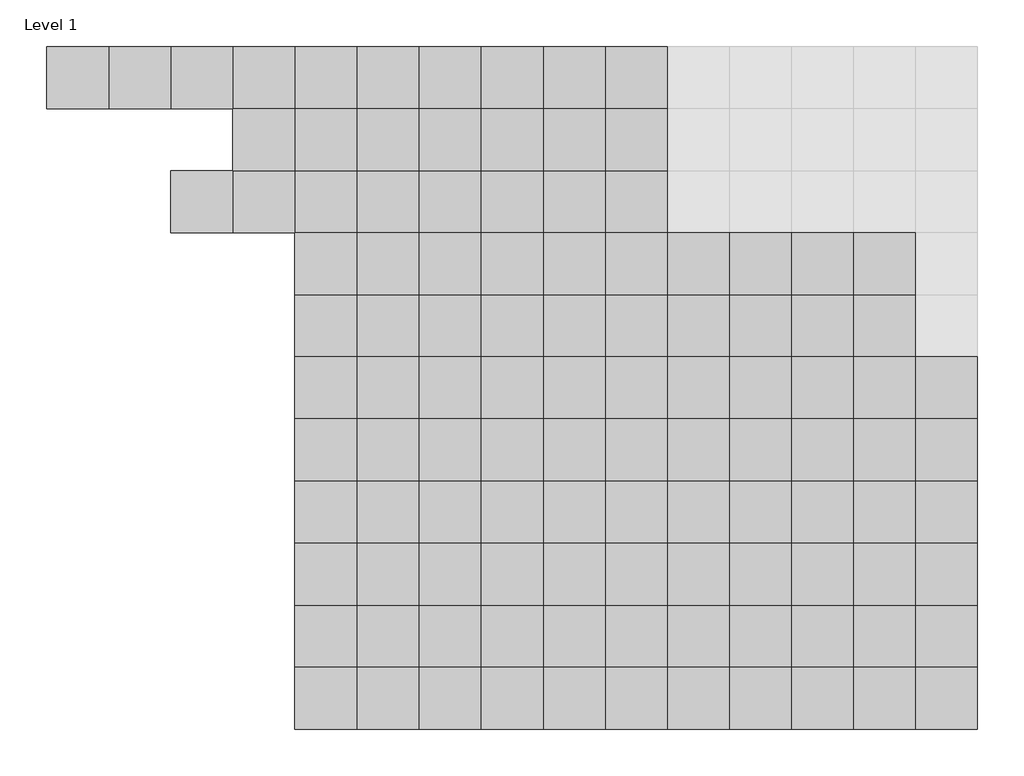
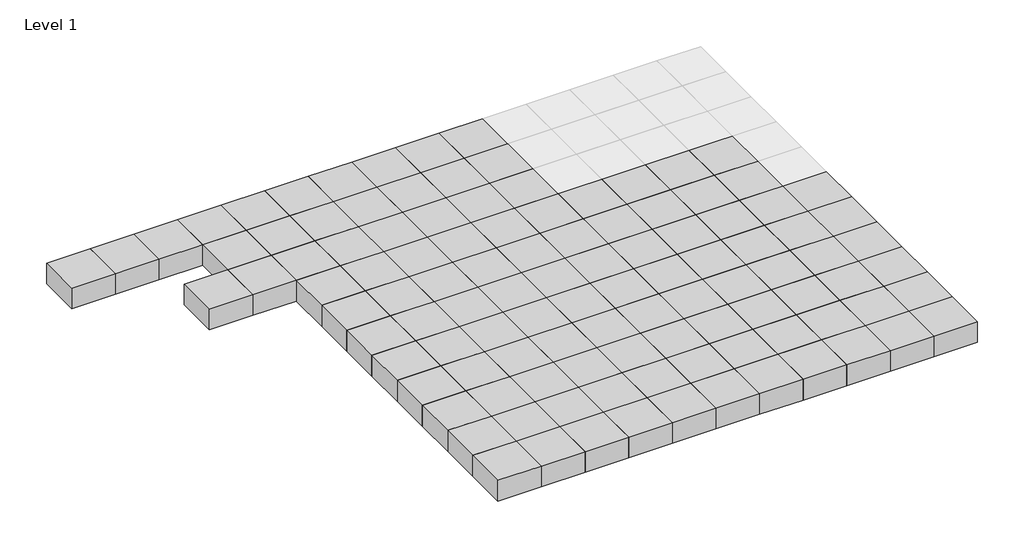
# One storey, part 6 of 30: 111 columns.
"""IFC4 building model written with IfcOpenShell, lengths in millimetres."""

import ifcopenshell
import ifcopenshell.guid

model = None  # the IFC model being written
_history = None  # IfcOwnerHistory: only IFC2X3 demands one
_inside = {}  # id of a spatial element -> (the spatial element, [elements in it])
_under = {}  # id of a project, library or spatial element -> (it, [spatial elements below it])
_declared = {}  # id of a project -> (the project, [libraries it declares])
_typed = {}  # id of a type object -> (the type object, [elements of that type])
_made_of = {}  # id of a material, layer set ... -> (it, [elements and type objects made of it])


def new_model(schema):
    """Start an empty IFC model of exactly this schema.

    Asked for "IFC4X3", IfcOpenShell would pick the latest addendum, in which some entities
    have other attributes; the version numbers below select the first issue.
    IFC2X3 requires an IfcOwnerHistory on every rooted entity: one is made here for all.
    """
    global model, _history
    if schema == "IFC4X3":
        model = ifcopenshell.file(schema_version=(4, 3, 0, 0))
    else:
        model = ifcopenshell.file(schema=schema)
    _inside.clear()
    _under.clear()
    _declared.clear()
    _typed.clear()
    _made_of.clear()
    _history = None
    if model.schema == "IFC2X3":
        org = make("IfcOrganization", Name="unknown")
        user = make(
            "IfcPersonAndOrganization",
            ThePerson=make("IfcPerson", FamilyName="unknown"),
            TheOrganization=org,
        )
        app = make(
            "IfcApplication",
            ApplicationDeveloper=org,
            Version="unknown",
            ApplicationFullName="unknown",
            ApplicationIdentifier="unknown",
        )
        _history = make(
            "IfcOwnerHistory",
            OwningUser=user,
            OwningApplication=app,
            ChangeAction="ADDED",
            CreationDate=0,
        )
    return model


def make(cls, **values):
    """One entity of the class cls with the attributes given. An attribute that is None is left unset."""
    return model.create_entity(
        cls, **{name: value for name, value in values.items() if value is not None}
    )


def rooted(cls, **values):
    """An entity with a GlobalId (a new one), such as an element, a storey or a relation."""
    return make(cls, GlobalId=ifcopenshell.guid.new(), OwnerHistory=_history, **values)


def si_unit(unit_type, name, prefix=None):
    """IfcSIUnit, for example si_unit("LENGTHUNIT", "METRE", prefix="MILLI")."""
    return make("IfcSIUnit", UnitType=unit_type, Prefix=prefix, Name=name)


def assignment(units):
    """IfcUnitAssignment: the units of a project."""
    return None if units is None else make("IfcUnitAssignment", Units=units)


def point(xyz):
    """IfcCartesianPoint."""
    return None if xyz is None else make("IfcCartesianPoint", Coordinates=xyz)


def direction(xyz):
    """IfcDirection."""
    return None if xyz is None else make("IfcDirection", DirectionRatios=xyz)


def frame(location, z_axis=None, x_axis=None):
    """IfcAxis2Placement3D, a coordinate frame: its origin and axes. An axis left out is left unset."""
    return make(
        "IfcAxis2Placement3D",
        Location=point(location),
        Axis=direction(z_axis),
        RefDirection=direction(x_axis),
    )


def origin():
    """The frame at (0, 0, 0) with its axes left unset."""
    return frame((0.0, 0.0, 0.0))


def origin_with_axes():
    """The frame at (0, 0, 0) with the z axis (0, 0, 1) and the x axis (1, 0, 0) written out."""
    return frame((0.0, 0.0, 0.0), z_axis=(0.0, 0.0, 1.0), x_axis=(1.0, 0.0, 0.0))


def place(relative_to, where):
    """IfcLocalPlacement: puts the frame where relative to a parent placement (None: the world)."""
    return make(
        "IfcLocalPlacement", PlacementRelTo=relative_to, RelativePlacement=where
    )


def context(
    kind, dimensions, precision=None, world=None, true_north=None, identifier=None
):
    """IfcGeometricRepresentationContext, for example the 3D "Model" context."""
    return make(
        "IfcGeometricRepresentationContext",
        ContextIdentifier=identifier,
        ContextType=kind,
        CoordinateSpaceDimension=dimensions,
        Precision=precision,
        WorldCoordinateSystem=world,
        TrueNorth=true_north,
    )


def project(units=None, contexts=None):
    """IfcProject with its units and contexts."""
    return rooted(
        "IfcProject",
        Name="project",
        RepresentationContexts=contexts,
        UnitsInContext=assignment(units),
    )


def spatial(cls, under=None, at=None, **own):
    """A site, building, storey or space (cls), placed at a placement, below another one or the project."""
    s = rooted(cls, ObjectPlacement=at, **own)
    if under is not None:
        _under.setdefault(under.id(), (under, []))[1].append(s)
    return s


def polyline(points):
    """IfcPolyline through the points."""
    return make("IfcPolyline", Points=[point(p) for p in points])


def outline(outer, holes=None, kind="AREA"):
    """IfcArbitraryClosedProfileDef: a profile drawn as a closed curve; with holes, ...WithVoids."""
    if holes is None:
        return make("IfcArbitraryClosedProfileDef", ProfileType=kind, OuterCurve=outer)
    return make(
        "IfcArbitraryProfileDefWithVoids",
        ProfileType=kind,
        OuterCurve=outer,
        InnerCurves=holes,
    )


def extrude(swept, where, along, depth):
    """IfcExtrudedAreaSolid: the profile swept, set in the frame where, extruded along a direction by depth."""
    return make(
        "IfcExtrudedAreaSolid",
        SweptArea=swept,
        Position=where,
        ExtrudedDirection=direction(along),
        Depth=depth,
    )


def shape(context_of_items, identifier, shape_type, items):
    """IfcShapeRepresentation: the items that make up one representation, for example the "Body"."""
    return make(
        "IfcShapeRepresentation",
        ContextOfItems=context_of_items,
        RepresentationIdentifier=identifier,
        RepresentationType=shape_type,
        Items=items,
    )


def source(mapping_origin, context_of_items, identifier, shape_type, items):
    """IfcRepresentationMap: a shape defined once, which mapped items show again and again."""
    return make(
        "IfcRepresentationMap",
        MappingOrigin=mapping_origin,
        MappedRepresentation=shape(context_of_items, identifier, shape_type, items),
    )


def transform(
    local_origin,
    x_axis=None,
    y_axis=None,
    z_axis=None,
    scale=None,
    scale2=None,
    scale3=None,
    uniform=True,
):
    """IfcCartesianTransformationOperator3D, or its non-uniform kind. x_axis, y_axis, z_axis: its Axis1, 2, 3."""
    if uniform:
        return make(
            "IfcCartesianTransformationOperator3D",
            Axis1=direction(x_axis),
            Axis2=direction(y_axis),
            LocalOrigin=point(local_origin),
            Scale=scale,
            Axis3=direction(z_axis),
        )
    return make(
        "IfcCartesianTransformationOperator3DnonUniform",
        Axis1=direction(x_axis),
        Axis2=direction(y_axis),
        LocalOrigin=point(local_origin),
        Scale=scale,
        Axis3=direction(z_axis),
        Scale2=scale2,
        Scale3=scale3,
    )


def mapped(mapping_source, mapping_target):
    """IfcMappedItem: shows the shape of a source again, moved by a transform."""
    return make(
        "IfcMappedItem", MappingSource=mapping_source, MappingTarget=mapping_target
    )


def made_of(thing, what):
    """Note that an element or type object is made of a material, layer set ...; save() writes the relation."""
    if what is not None:
        _made_of.setdefault(what.id(), (what, []))[1].append(thing)
    return thing


def element(
    cls,
    number,
    at=None,
    inside=None,
    cuts=None,
    type_object=None,
    material=None,
    context=None,
    identifier="Body",
    shape_type=None,
    held_by="IfcProductDefinitionShape",
    body=None,
    shapes=None,
    **own,
):
    """One element of the class cls, such as IfcWall. Its Tag is "e" and its number.

    at: its placement. inside: the storey or other place that contains it. cuts: it is an
    opening in that element (IfcRelVoidsElement). A single representation is given by context,
    identifier, shape_type and body (its items); several are given by shapes. held_by: the class
    of the entity that holds the representations. save() writes the other relations.
    """
    e = rooted(cls, Tag="e%d" % number, ObjectPlacement=at, **own)
    if body is not None:
        shapes = [shape(context, identifier, shape_type, body)]
    if shapes is not None:
        e.Representation = make(held_by, Representations=shapes)
    if inside is not None:
        _inside.setdefault(inside.id(), (inside, []))[1].append(e)
    if cuts is not None:
        rooted(
            "IfcRelVoidsElement", RelatingBuildingElement=cuts, RelatedOpeningElement=e
        )
    if type_object is not None:
        _typed.setdefault(type_object.id(), (type_object, []))[1].append(e)
    return made_of(e, material)


def aggregate(whole, parts):
    """IfcRelAggregates: a whole, such as a stair, and the parts it consists of."""
    return rooted("IfcRelAggregates", RelatingObject=whole, RelatedObjects=parts)


def save(model, path):
    """Write the relations noted so far, then the file.

    IfcRelAggregates (storeys below a building ...), IfcRelContainedInSpatialStructure (elements
    in a storey), IfcRelDefinesByType, IfcRelAssociatesMaterial and IfcRelDeclares: one each for
    every whole, place, type object, material and project.
    """
    for whole, parts in _under.values():
        aggregate(whole, parts)
    for where, things in _inside.values():
        rooted(
            "IfcRelContainedInSpatialStructure",
            RelatedElements=things,
            RelatingStructure=where,
        )
    for kind, things in _typed.values():
        rooted("IfcRelDefinesByType", RelatedObjects=things, RelatingType=kind)
    for what, things in _made_of.values():
        rooted("IfcRelAssociatesMaterial", RelatedObjects=things, RelatingMaterial=what)
    for by, libraries in _declared.values():
        rooted("IfcRelDeclares", RelatingContext=by, RelatedDefinitions=libraries)
    model.write(path)


def m_concrete_square_column_600_x_600mm_cc081a69(model_context):
    return source(origin(), model_context, "Body", "SweptSolid", [
        extrude(outline(polyline([(300.0, 300.0), (300.0, -300.0), (-300.0, -300.0), (-300.0, 300.0), (300.0, 300.0)])), origin_with_axes(), (0.0, 0.0, 1.0), 300.0),
    ])


model = new_model("IFC4")

# Units and contexts
model_context = context("Model", 3, world=origin())
ifc_project = project(units=[si_unit("LENGTHUNIT", "METRE", prefix="MILLI")], contexts=[model_context])

# Site, building, storey
site = spatial("IfcSite", under=ifc_project)
building = spatial("IfcBuilding", under=site)
storey = spatial("IfcBuildingStorey", under=building, Name="Level 1", Elevation=0.0)

# Columns
placement = place(None, origin())
m_concrete_square_column_600_x_600mm_shape = m_concrete_square_column_600_x_600mm_cc081a69(model_context)
element("IfcColumn", 1, ObjectType="M_Concrete-Square-Column : 600 x 600mm", at=placement, inside=storey, context=model_context, shape_type="MappedRepresentation", body=[
    mapped(m_concrete_square_column_600_x_600mm_shape, transform((102050.9001936, -530.9023417, 0.0), x_axis=(1.0, 0.0, 0.0), y_axis=(0.0, 1.0, 0.0), z_axis=(0.0, 0.0, 1.0))),
])
element("IfcColumn", 2, ObjectType="M_Concrete-Square-Column : 600 x 600mm", at=placement, inside=storey, context=model_context, shape_type="MappedRepresentation", body=[
    mapped(m_concrete_square_column_600_x_600mm_shape, transform((102650.9001936, -530.9023417, 0.0), x_axis=(1.0, 0.0, 0.0), y_axis=(0.0, 1.0, 0.0), z_axis=(0.0, 0.0, 1.0))),
])
element("IfcColumn", 3, ObjectType="M_Concrete-Square-Column : 600 x 600mm", at=placement, inside=storey, context=model_context, shape_type="MappedRepresentation", body=[
    mapped(m_concrete_square_column_600_x_600mm_shape, transform((103250.9001936, -530.9023417, 0.0), x_axis=(1.0, 0.0, 0.0), y_axis=(0.0, 1.0, 0.0), z_axis=(0.0, 0.0, 1.0))),
])
element("IfcColumn", 4, ObjectType="M_Concrete-Square-Column : 600 x 600mm", at=placement, inside=storey, context=model_context, shape_type="MappedRepresentation", body=[
    mapped(m_concrete_square_column_600_x_600mm_shape, transform((103850.9001936, -530.9023417, 0.0), x_axis=(1.0, 0.0, 0.0), y_axis=(0.0, 1.0, 0.0), z_axis=(0.0, 0.0, 1.0))),
])
element("IfcColumn", 5, ObjectType="M_Concrete-Square-Column : 600 x 600mm", at=placement, inside=storey, context=model_context, shape_type="MappedRepresentation", body=[
    mapped(m_concrete_square_column_600_x_600mm_shape, transform((104450.9001936, -530.9023417, 0.0), x_axis=(1.0, 0.0, 0.0), y_axis=(0.0, 1.0, 0.0), z_axis=(0.0, 0.0, 1.0))),
])
element("IfcColumn", 6, ObjectType="M_Concrete-Square-Column : 600 x 600mm", at=placement, inside=storey, context=model_context, shape_type="MappedRepresentation", body=[
    mapped(m_concrete_square_column_600_x_600mm_shape, transform((105050.9001936, -530.9023417, 0.0), x_axis=(1.0, 0.0, 0.0), y_axis=(0.0, 1.0, 0.0), z_axis=(0.0, 0.0, 1.0))),
])
element("IfcColumn", 7, ObjectType="M_Concrete-Square-Column : 600 x 600mm", at=placement, inside=storey, context=model_context, shape_type="MappedRepresentation", body=[
    mapped(m_concrete_square_column_600_x_600mm_shape, transform((105650.9001936, -530.9023417, 0.0), x_axis=(1.0, 0.0, 0.0), y_axis=(0.0, 1.0, 0.0), z_axis=(0.0, 0.0, 1.0))),
])
element("IfcColumn", 8, ObjectType="M_Concrete-Square-Column : 600 x 600mm", at=placement, inside=storey, context=model_context, shape_type="MappedRepresentation", body=[
    mapped(m_concrete_square_column_600_x_600mm_shape, transform((106250.9001936, -530.9023417, 0.0), x_axis=(1.0, 0.0, 0.0), y_axis=(0.0, 1.0, 0.0), z_axis=(0.0, 0.0, 1.0))),
])
element("IfcColumn", 9, ObjectType="M_Concrete-Square-Column : 600 x 600mm", at=placement, inside=storey, context=model_context, shape_type="MappedRepresentation", body=[
    mapped(m_concrete_square_column_600_x_600mm_shape, transform((106850.9001936, -530.9023417, 0.0), x_axis=(1.0, 0.0, 0.0), y_axis=(0.0, 1.0, 0.0), z_axis=(0.0, 0.0, 1.0))),
])
element("IfcColumn", 10, ObjectType="M_Concrete-Square-Column : 600 x 600mm", at=placement, inside=storey, context=model_context, shape_type="MappedRepresentation", body=[
    mapped(m_concrete_square_column_600_x_600mm_shape, transform((107450.9001936, -530.9023417, 0.0), x_axis=(1.0, 0.0, 0.0), y_axis=(0.0, 1.0, 0.0), z_axis=(0.0, 0.0, 1.0))),
])
element("IfcColumn", 11, ObjectType="M_Concrete-Square-Column : 600 x 600mm", at=placement, inside=storey, context=model_context, shape_type="MappedRepresentation", body=[
    mapped(m_concrete_square_column_600_x_600mm_shape, transform((103850.9001936, -1130.9023417, 0.0), x_axis=(1.0, 0.0, 0.0), y_axis=(0.0, 1.0, 0.0), z_axis=(0.0, 0.0, 1.0))),
])
element("IfcColumn", 12, ObjectType="M_Concrete-Square-Column : 600 x 600mm", at=placement, inside=storey, context=model_context, shape_type="MappedRepresentation", body=[
    mapped(m_concrete_square_column_600_x_600mm_shape, transform((104450.9001936, -1130.9023417, 0.0), x_axis=(1.0, 0.0, 0.0), y_axis=(0.0, 1.0, 0.0), z_axis=(0.0, 0.0, 1.0))),
])
element("IfcColumn", 13, ObjectType="M_Concrete-Square-Column : 600 x 600mm", at=placement, inside=storey, context=model_context, shape_type="MappedRepresentation", body=[
    mapped(m_concrete_square_column_600_x_600mm_shape, transform((103250.9001936, -1730.9023417, 0.0), x_axis=(1.0, 0.0, 0.0), y_axis=(0.0, 1.0, 0.0), z_axis=(0.0, 0.0, 1.0))),
])
element("IfcColumn", 14, ObjectType="M_Concrete-Square-Column : 600 x 600mm", at=placement, inside=storey, context=model_context, shape_type="MappedRepresentation", body=[
    mapped(m_concrete_square_column_600_x_600mm_shape, transform((103850.9001936, -1730.9023417, 0.0), x_axis=(1.0, 0.0, 0.0), y_axis=(0.0, 1.0, 0.0), z_axis=(0.0, 0.0, 1.0))),
])
element("IfcColumn", 15, ObjectType="M_Concrete-Square-Column : 600 x 600mm", at=placement, inside=storey, context=model_context, shape_type="MappedRepresentation", body=[
    mapped(m_concrete_square_column_600_x_600mm_shape, transform((104450.9001936, -1730.9023417, 0.0), x_axis=(1.0, 0.0, 0.0), y_axis=(0.0, 1.0, 0.0), z_axis=(0.0, 0.0, 1.0))),
])
element("IfcColumn", 16, ObjectType="M_Concrete-Square-Column : 600 x 600mm", at=placement, inside=storey, context=model_context, shape_type="MappedRepresentation", body=[
    mapped(m_concrete_square_column_600_x_600mm_shape, transform((104450.9001936, -2330.9023417, 0.0), x_axis=(1.0, 0.0, 0.0), y_axis=(0.0, 1.0, 0.0), z_axis=(0.0, 0.0, 1.0))),
])
element("IfcColumn", 17, ObjectType="M_Concrete-Square-Column : 600 x 600mm", at=placement, inside=storey, context=model_context, shape_type="MappedRepresentation", body=[
    mapped(m_concrete_square_column_600_x_600mm_shape, transform((104450.9001936, -2930.9023417, 0.0), x_axis=(1.0, 0.0, 0.0), y_axis=(0.0, 1.0, 0.0), z_axis=(0.0, 0.0, 1.0))),
])
element("IfcColumn", 18, ObjectType="M_Concrete-Square-Column : 600 x 600mm", at=placement, inside=storey, context=model_context, shape_type="MappedRepresentation", body=[
    mapped(m_concrete_square_column_600_x_600mm_shape, transform((104450.9001936, -3530.9023417, 0.0), x_axis=(1.0, 0.0, 0.0), y_axis=(0.0, 1.0, 0.0), z_axis=(0.0, 0.0, 1.0))),
])
element("IfcColumn", 19, ObjectType="M_Concrete-Square-Column : 600 x 600mm", at=placement, inside=storey, context=model_context, shape_type="MappedRepresentation", body=[
    mapped(m_concrete_square_column_600_x_600mm_shape, transform((105050.9001936, -1130.9023417, 0.0), x_axis=(1.0, 0.0, 0.0), y_axis=(0.0, 1.0, 0.0), z_axis=(0.0, 0.0, 1.0))),
])
element("IfcColumn", 20, ObjectType="M_Concrete-Square-Column : 600 x 600mm", at=placement, inside=storey, context=model_context, shape_type="MappedRepresentation", body=[
    mapped(m_concrete_square_column_600_x_600mm_shape, transform((105650.9001936, -1130.9023417, 0.0), x_axis=(1.0, 0.0, 0.0), y_axis=(0.0, 1.0, 0.0), z_axis=(0.0, 0.0, 1.0))),
])
element("IfcColumn", 21, ObjectType="M_Concrete-Square-Column : 600 x 600mm", at=placement, inside=storey, context=model_context, shape_type="MappedRepresentation", body=[
    mapped(m_concrete_square_column_600_x_600mm_shape, transform((106250.9001936, -1130.9023417, 0.0), x_axis=(1.0, 0.0, 0.0), y_axis=(0.0, 1.0, 0.0), z_axis=(0.0, 0.0, 1.0))),
])
element("IfcColumn", 22, ObjectType="M_Concrete-Square-Column : 600 x 600mm", at=placement, inside=storey, context=model_context, shape_type="MappedRepresentation", body=[
    mapped(m_concrete_square_column_600_x_600mm_shape, transform((106850.9001936, -1130.9023417, 0.0), x_axis=(1.0, 0.0, 0.0), y_axis=(0.0, 1.0, 0.0), z_axis=(0.0, 0.0, 1.0))),
])
element("IfcColumn", 23, ObjectType="M_Concrete-Square-Column : 600 x 600mm", at=placement, inside=storey, context=model_context, shape_type="MappedRepresentation", body=[
    mapped(m_concrete_square_column_600_x_600mm_shape, transform((107450.9001936, -1130.9023417, 0.0), x_axis=(1.0, 0.0, 0.0), y_axis=(0.0, 1.0, 0.0), z_axis=(0.0, 0.0, 1.0))),
])
element("IfcColumn", 24, ObjectType="M_Concrete-Square-Column : 600 x 600mm", at=placement, inside=storey, context=model_context, shape_type="MappedRepresentation", body=[
    mapped(m_concrete_square_column_600_x_600mm_shape, transform((105050.9001936, -1730.9023417, 0.0), x_axis=(1.0, 0.0, 0.0), y_axis=(0.0, 1.0, 0.0), z_axis=(0.0, 0.0, 1.0))),
])
element("IfcColumn", 25, ObjectType="M_Concrete-Square-Column : 600 x 600mm", at=placement, inside=storey, context=model_context, shape_type="MappedRepresentation", body=[
    mapped(m_concrete_square_column_600_x_600mm_shape, transform((105650.9001936, -1730.9023417, 0.0), x_axis=(1.0, 0.0, 0.0), y_axis=(0.0, 1.0, 0.0), z_axis=(0.0, 0.0, 1.0))),
])
element("IfcColumn", 26, ObjectType="M_Concrete-Square-Column : 600 x 600mm", at=placement, inside=storey, context=model_context, shape_type="MappedRepresentation", body=[
    mapped(m_concrete_square_column_600_x_600mm_shape, transform((106250.9001936, -1730.9023417, 0.0), x_axis=(1.0, 0.0, 0.0), y_axis=(0.0, 1.0, 0.0), z_axis=(0.0, 0.0, 1.0))),
])
element("IfcColumn", 27, ObjectType="M_Concrete-Square-Column : 600 x 600mm", at=placement, inside=storey, context=model_context, shape_type="MappedRepresentation", body=[
    mapped(m_concrete_square_column_600_x_600mm_shape, transform((106850.9001936, -1730.9023417, 0.0), x_axis=(1.0, 0.0, 0.0), y_axis=(0.0, 1.0, 0.0), z_axis=(0.0, 0.0, 1.0))),
])
element("IfcColumn", 28, ObjectType="M_Concrete-Square-Column : 600 x 600mm", at=placement, inside=storey, context=model_context, shape_type="MappedRepresentation", body=[
    mapped(m_concrete_square_column_600_x_600mm_shape, transform((107450.9001936, -1730.9023417, 0.0), x_axis=(1.0, 0.0, 0.0), y_axis=(0.0, 1.0, 0.0), z_axis=(0.0, 0.0, 1.0))),
])
element("IfcColumn", 29, ObjectType="M_Concrete-Square-Column : 600 x 600mm", at=placement, inside=storey, context=model_context, shape_type="MappedRepresentation", body=[
    mapped(m_concrete_square_column_600_x_600mm_shape, transform((105050.9001936, -2330.9023417, 0.0), x_axis=(1.0, 0.0, 0.0), y_axis=(0.0, 1.0, 0.0), z_axis=(0.0, 0.0, 1.0))),
])
element("IfcColumn", 30, ObjectType="M_Concrete-Square-Column : 600 x 600mm", at=placement, inside=storey, context=model_context, shape_type="MappedRepresentation", body=[
    mapped(m_concrete_square_column_600_x_600mm_shape, transform((105650.9001936, -2330.9023417, 0.0), x_axis=(1.0, 0.0, 0.0), y_axis=(0.0, 1.0, 0.0), z_axis=(0.0, 0.0, 1.0))),
])
element("IfcColumn", 31, ObjectType="M_Concrete-Square-Column : 600 x 600mm", at=placement, inside=storey, context=model_context, shape_type="MappedRepresentation", body=[
    mapped(m_concrete_square_column_600_x_600mm_shape, transform((106250.9001936, -2330.9023417, 0.0), x_axis=(1.0, 0.0, 0.0), y_axis=(0.0, 1.0, 0.0), z_axis=(0.0, 0.0, 1.0))),
])
element("IfcColumn", 32, ObjectType="M_Concrete-Square-Column : 600 x 600mm", at=placement, inside=storey, context=model_context, shape_type="MappedRepresentation", body=[
    mapped(m_concrete_square_column_600_x_600mm_shape, transform((106850.9001936, -2330.9023417, 0.0), x_axis=(1.0, 0.0, 0.0), y_axis=(0.0, 1.0, 0.0), z_axis=(0.0, 0.0, 1.0))),
])
element("IfcColumn", 33, ObjectType="M_Concrete-Square-Column : 600 x 600mm", at=placement, inside=storey, context=model_context, shape_type="MappedRepresentation", body=[
    mapped(m_concrete_square_column_600_x_600mm_shape, transform((107450.9001936, -2330.9023417, 0.0), x_axis=(1.0, 0.0, 0.0), y_axis=(0.0, 1.0, 0.0), z_axis=(0.0, 0.0, 1.0))),
])
element("IfcColumn", 34, ObjectType="M_Concrete-Square-Column : 600 x 600mm", at=placement, inside=storey, context=model_context, shape_type="MappedRepresentation", body=[
    mapped(m_concrete_square_column_600_x_600mm_shape, transform((105050.9001936, -2930.9023417, 0.0), x_axis=(1.0, 0.0, 0.0), y_axis=(0.0, 1.0, 0.0), z_axis=(0.0, 0.0, 1.0))),
])
element("IfcColumn", 35, ObjectType="M_Concrete-Square-Column : 600 x 600mm", at=placement, inside=storey, context=model_context, shape_type="MappedRepresentation", body=[
    mapped(m_concrete_square_column_600_x_600mm_shape, transform((105650.9001936, -2930.9023417, 0.0), x_axis=(1.0, 0.0, 0.0), y_axis=(0.0, 1.0, 0.0), z_axis=(0.0, 0.0, 1.0))),
])
element("IfcColumn", 36, ObjectType="M_Concrete-Square-Column : 600 x 600mm", at=placement, inside=storey, context=model_context, shape_type="MappedRepresentation", body=[
    mapped(m_concrete_square_column_600_x_600mm_shape, transform((106250.9001936, -2930.9023417, 0.0), x_axis=(1.0, 0.0, 0.0), y_axis=(0.0, 1.0, 0.0), z_axis=(0.0, 0.0, 1.0))),
])
element("IfcColumn", 37, ObjectType="M_Concrete-Square-Column : 600 x 600mm", at=placement, inside=storey, context=model_context, shape_type="MappedRepresentation", body=[
    mapped(m_concrete_square_column_600_x_600mm_shape, transform((106850.9001936, -2930.9023417, 0.0), x_axis=(1.0, 0.0, 0.0), y_axis=(0.0, 1.0, 0.0), z_axis=(0.0, 0.0, 1.0))),
])
element("IfcColumn", 38, ObjectType="M_Concrete-Square-Column : 600 x 600mm", at=placement, inside=storey, context=model_context, shape_type="MappedRepresentation", body=[
    mapped(m_concrete_square_column_600_x_600mm_shape, transform((107450.9001936, -2930.9023417, 0.0), x_axis=(1.0, 0.0, 0.0), y_axis=(0.0, 1.0, 0.0), z_axis=(0.0, 0.0, 1.0))),
])
element("IfcColumn", 39, ObjectType="M_Concrete-Square-Column : 600 x 600mm", at=placement, inside=storey, context=model_context, shape_type="MappedRepresentation", body=[
    mapped(m_concrete_square_column_600_x_600mm_shape, transform((105050.9001936, -3530.9023417, 0.0), x_axis=(1.0, 0.0, 0.0), y_axis=(0.0, 1.0, 0.0), z_axis=(0.0, 0.0, 1.0))),
])
element("IfcColumn", 40, ObjectType="M_Concrete-Square-Column : 600 x 600mm", at=placement, inside=storey, context=model_context, shape_type="MappedRepresentation", body=[
    mapped(m_concrete_square_column_600_x_600mm_shape, transform((105650.9001936, -3530.9023417, 0.0), x_axis=(1.0, 0.0, 0.0), y_axis=(0.0, 1.0, 0.0), z_axis=(0.0, 0.0, 1.0))),
])
element("IfcColumn", 41, ObjectType="M_Concrete-Square-Column : 600 x 600mm", at=placement, inside=storey, context=model_context, shape_type="MappedRepresentation", body=[
    mapped(m_concrete_square_column_600_x_600mm_shape, transform((106250.9001936, -3530.9023417, 0.0), x_axis=(1.0, 0.0, 0.0), y_axis=(0.0, 1.0, 0.0), z_axis=(0.0, 0.0, 1.0))),
])
element("IfcColumn", 42, ObjectType="M_Concrete-Square-Column : 600 x 600mm", at=placement, inside=storey, context=model_context, shape_type="MappedRepresentation", body=[
    mapped(m_concrete_square_column_600_x_600mm_shape, transform((106850.9001936, -3530.9023417, 0.0), x_axis=(1.0, 0.0, 0.0), y_axis=(0.0, 1.0, 0.0), z_axis=(0.0, 0.0, 1.0))),
])
element("IfcColumn", 43, ObjectType="M_Concrete-Square-Column : 600 x 600mm", at=placement, inside=storey, context=model_context, shape_type="MappedRepresentation", body=[
    mapped(m_concrete_square_column_600_x_600mm_shape, transform((107450.9001936, -3530.9023417, 0.0), x_axis=(1.0, 0.0, 0.0), y_axis=(0.0, 1.0, 0.0), z_axis=(0.0, 0.0, 1.0))),
])
element("IfcColumn", 44, ObjectType="M_Concrete-Square-Column : 600 x 600mm", at=placement, inside=storey, context=model_context, shape_type="MappedRepresentation", body=[
    mapped(m_concrete_square_column_600_x_600mm_shape, transform((108050.9001936, -2330.9023417, 0.0), x_axis=(1.0, 0.0, 0.0), y_axis=(0.0, 1.0, 0.0), z_axis=(0.0, 0.0, 1.0))),
])
element("IfcColumn", 45, ObjectType="M_Concrete-Square-Column : 600 x 600mm", at=placement, inside=storey, context=model_context, shape_type="MappedRepresentation", body=[
    mapped(m_concrete_square_column_600_x_600mm_shape, transform((108650.9001936, -2330.9023417, 0.0), x_axis=(1.0, 0.0, 0.0), y_axis=(0.0, 1.0, 0.0), z_axis=(0.0, 0.0, 1.0))),
])
element("IfcColumn", 46, ObjectType="M_Concrete-Square-Column : 600 x 600mm", at=placement, inside=storey, context=model_context, shape_type="MappedRepresentation", body=[
    mapped(m_concrete_square_column_600_x_600mm_shape, transform((109250.9001936, -2330.9023417, 0.0), x_axis=(1.0, 0.0, 0.0), y_axis=(0.0, 1.0, 0.0), z_axis=(0.0, 0.0, 1.0))),
])
element("IfcColumn", 47, ObjectType="M_Concrete-Square-Column : 600 x 600mm", at=placement, inside=storey, context=model_context, shape_type="MappedRepresentation", body=[
    mapped(m_concrete_square_column_600_x_600mm_shape, transform((109850.9001936, -2330.9023417, 0.0), x_axis=(1.0, 0.0, 0.0), y_axis=(0.0, 1.0, 0.0), z_axis=(0.0, 0.0, 1.0))),
])
element("IfcColumn", 48, ObjectType="M_Concrete-Square-Column : 600 x 600mm", at=placement, inside=storey, context=model_context, shape_type="MappedRepresentation", body=[
    mapped(m_concrete_square_column_600_x_600mm_shape, transform((108050.9001936, -2930.9023417, 0.0), x_axis=(1.0, 0.0, 0.0), y_axis=(0.0, 1.0, 0.0), z_axis=(0.0, 0.0, 1.0))),
])
element("IfcColumn", 49, ObjectType="M_Concrete-Square-Column : 600 x 600mm", at=placement, inside=storey, context=model_context, shape_type="MappedRepresentation", body=[
    mapped(m_concrete_square_column_600_x_600mm_shape, transform((108650.9001936, -2930.9023417, 0.0), x_axis=(1.0, 0.0, 0.0), y_axis=(0.0, 1.0, 0.0), z_axis=(0.0, 0.0, 1.0))),
])
element("IfcColumn", 50, ObjectType="M_Concrete-Square-Column : 600 x 600mm", at=placement, inside=storey, context=model_context, shape_type="MappedRepresentation", body=[
    mapped(m_concrete_square_column_600_x_600mm_shape, transform((109250.9001936, -2930.9023417, 0.0), x_axis=(1.0, 0.0, 0.0), y_axis=(0.0, 1.0, 0.0), z_axis=(0.0, 0.0, 1.0))),
])
element("IfcColumn", 51, ObjectType="M_Concrete-Square-Column : 600 x 600mm", at=placement, inside=storey, context=model_context, shape_type="MappedRepresentation", body=[
    mapped(m_concrete_square_column_600_x_600mm_shape, transform((109850.9001936, -2930.9023417, 0.0), x_axis=(1.0, 0.0, 0.0), y_axis=(0.0, 1.0, 0.0), z_axis=(0.0, 0.0, 1.0))),
])
element("IfcColumn", 52, ObjectType="M_Concrete-Square-Column : 600 x 600mm", at=placement, inside=storey, context=model_context, shape_type="MappedRepresentation", body=[
    mapped(m_concrete_square_column_600_x_600mm_shape, transform((108050.9001936, -3530.9023417, 0.0), x_axis=(1.0, 0.0, 0.0), y_axis=(0.0, 1.0, 0.0), z_axis=(0.0, 0.0, 1.0))),
])
element("IfcColumn", 53, ObjectType="M_Concrete-Square-Column : 600 x 600mm", at=placement, inside=storey, context=model_context, shape_type="MappedRepresentation", body=[
    mapped(m_concrete_square_column_600_x_600mm_shape, transform((108650.9001936, -3530.9023417, 0.0), x_axis=(1.0, 0.0, 0.0), y_axis=(0.0, 1.0, 0.0), z_axis=(0.0, 0.0, 1.0))),
])
element("IfcColumn", 54, ObjectType="M_Concrete-Square-Column : 600 x 600mm", at=placement, inside=storey, context=model_context, shape_type="MappedRepresentation", body=[
    mapped(m_concrete_square_column_600_x_600mm_shape, transform((109250.9001936, -3530.9023417, 0.0), x_axis=(1.0, 0.0, 0.0), y_axis=(0.0, 1.0, 0.0), z_axis=(0.0, 0.0, 1.0))),
])
element("IfcColumn", 55, ObjectType="M_Concrete-Square-Column : 600 x 600mm", at=placement, inside=storey, context=model_context, shape_type="MappedRepresentation", body=[
    mapped(m_concrete_square_column_600_x_600mm_shape, transform((109850.9001936, -3530.9023417, 0.0), x_axis=(1.0, 0.0, 0.0), y_axis=(0.0, 1.0, 0.0), z_axis=(0.0, 0.0, 1.0))),
])
element("IfcColumn", 56, ObjectType="M_Concrete-Square-Column : 600 x 600mm", at=placement, inside=storey, context=model_context, shape_type="MappedRepresentation", body=[
    mapped(m_concrete_square_column_600_x_600mm_shape, transform((110450.9001936, -3530.9023417, 0.0), x_axis=(1.0, 0.0, 0.0), y_axis=(0.0, 1.0, 0.0), z_axis=(0.0, 0.0, 1.0))),
])
element("IfcColumn", 57, ObjectType="M_Concrete-Square-Column : 600 x 600mm", at=placement, inside=storey, context=model_context, shape_type="MappedRepresentation", body=[
    mapped(m_concrete_square_column_600_x_600mm_shape, transform((105050.9001936, -4130.9023417, 0.0), x_axis=(1.0, 0.0, 0.0), y_axis=(0.0, 1.0, 0.0), z_axis=(0.0, 0.0, 1.0))),
])
element("IfcColumn", 58, ObjectType="M_Concrete-Square-Column : 600 x 600mm", at=placement, inside=storey, context=model_context, shape_type="MappedRepresentation", body=[
    mapped(m_concrete_square_column_600_x_600mm_shape, transform((105650.9001936, -4130.9023417, 0.0), x_axis=(1.0, 0.0, 0.0), y_axis=(0.0, 1.0, 0.0), z_axis=(0.0, 0.0, 1.0))),
])
element("IfcColumn", 59, ObjectType="M_Concrete-Square-Column : 600 x 600mm", at=placement, inside=storey, context=model_context, shape_type="MappedRepresentation", body=[
    mapped(m_concrete_square_column_600_x_600mm_shape, transform((106250.9001936, -4130.9023417, 0.0), x_axis=(1.0, 0.0, 0.0), y_axis=(0.0, 1.0, 0.0), z_axis=(0.0, 0.0, 1.0))),
])
element("IfcColumn", 60, ObjectType="M_Concrete-Square-Column : 600 x 600mm", at=placement, inside=storey, context=model_context, shape_type="MappedRepresentation", body=[
    mapped(m_concrete_square_column_600_x_600mm_shape, transform((106850.9001936, -4130.9023417, 0.0), x_axis=(1.0, 0.0, 0.0), y_axis=(0.0, 1.0, 0.0), z_axis=(0.0, 0.0, 1.0))),
])
element("IfcColumn", 61, ObjectType="M_Concrete-Square-Column : 600 x 600mm", at=placement, inside=storey, context=model_context, shape_type="MappedRepresentation", body=[
    mapped(m_concrete_square_column_600_x_600mm_shape, transform((107450.9001936, -4130.9023417, 0.0), x_axis=(1.0, 0.0, 0.0), y_axis=(0.0, 1.0, 0.0), z_axis=(0.0, 0.0, 1.0))),
])
element("IfcColumn", 62, ObjectType="M_Concrete-Square-Column : 600 x 600mm", at=placement, inside=storey, context=model_context, shape_type="MappedRepresentation", body=[
    mapped(m_concrete_square_column_600_x_600mm_shape, transform((105050.9001936, -4730.9023417, 0.0), x_axis=(1.0, 0.0, 0.0), y_axis=(0.0, 1.0, 0.0), z_axis=(0.0, 0.0, 1.0))),
])
element("IfcColumn", 63, ObjectType="M_Concrete-Square-Column : 600 x 600mm", at=placement, inside=storey, context=model_context, shape_type="MappedRepresentation", body=[
    mapped(m_concrete_square_column_600_x_600mm_shape, transform((105650.9001936, -4730.9023417, 0.0), x_axis=(1.0, 0.0, 0.0), y_axis=(0.0, 1.0, 0.0), z_axis=(0.0, 0.0, 1.0))),
])
element("IfcColumn", 64, ObjectType="M_Concrete-Square-Column : 600 x 600mm", at=placement, inside=storey, context=model_context, shape_type="MappedRepresentation", body=[
    mapped(m_concrete_square_column_600_x_600mm_shape, transform((106250.9001936, -4730.9023417, 0.0), x_axis=(1.0, 0.0, 0.0), y_axis=(0.0, 1.0, 0.0), z_axis=(0.0, 0.0, 1.0))),
])
element("IfcColumn", 65, ObjectType="M_Concrete-Square-Column : 600 x 600mm", at=placement, inside=storey, context=model_context, shape_type="MappedRepresentation", body=[
    mapped(m_concrete_square_column_600_x_600mm_shape, transform((106850.9001936, -4730.9023417, 0.0), x_axis=(1.0, 0.0, 0.0), y_axis=(0.0, 1.0, 0.0), z_axis=(0.0, 0.0, 1.0))),
])
element("IfcColumn", 66, ObjectType="M_Concrete-Square-Column : 600 x 600mm", at=placement, inside=storey, context=model_context, shape_type="MappedRepresentation", body=[
    mapped(m_concrete_square_column_600_x_600mm_shape, transform((107450.9001936, -4730.9023417, 0.0), x_axis=(1.0, 0.0, 0.0), y_axis=(0.0, 1.0, 0.0), z_axis=(0.0, 0.0, 1.0))),
])
element("IfcColumn", 67, ObjectType="M_Concrete-Square-Column : 600 x 600mm", at=placement, inside=storey, context=model_context, shape_type="MappedRepresentation", body=[
    mapped(m_concrete_square_column_600_x_600mm_shape, transform((105050.9001936, -5330.9023417, 0.0), x_axis=(1.0, 0.0, 0.0), y_axis=(0.0, 1.0, 0.0), z_axis=(0.0, 0.0, 1.0))),
])
element("IfcColumn", 68, ObjectType="M_Concrete-Square-Column : 600 x 600mm", at=placement, inside=storey, context=model_context, shape_type="MappedRepresentation", body=[
    mapped(m_concrete_square_column_600_x_600mm_shape, transform((105650.9001936, -5330.9023417, 0.0), x_axis=(1.0, 0.0, 0.0), y_axis=(0.0, 1.0, 0.0), z_axis=(0.0, 0.0, 1.0))),
])
element("IfcColumn", 69, ObjectType="M_Concrete-Square-Column : 600 x 600mm", at=placement, inside=storey, context=model_context, shape_type="MappedRepresentation", body=[
    mapped(m_concrete_square_column_600_x_600mm_shape, transform((106250.9001936, -5330.9023417, 0.0), x_axis=(1.0, 0.0, 0.0), y_axis=(0.0, 1.0, 0.0), z_axis=(0.0, 0.0, 1.0))),
])
element("IfcColumn", 70, ObjectType="M_Concrete-Square-Column : 600 x 600mm", at=placement, inside=storey, context=model_context, shape_type="MappedRepresentation", body=[
    mapped(m_concrete_square_column_600_x_600mm_shape, transform((106850.9001936, -5330.9023417, 0.0), x_axis=(1.0, 0.0, 0.0), y_axis=(0.0, 1.0, 0.0), z_axis=(0.0, 0.0, 1.0))),
])
element("IfcColumn", 71, ObjectType="M_Concrete-Square-Column : 600 x 600mm", at=placement, inside=storey, context=model_context, shape_type="MappedRepresentation", body=[
    mapped(m_concrete_square_column_600_x_600mm_shape, transform((107450.9001936, -5330.9023417, 0.0), x_axis=(1.0, 0.0, 0.0), y_axis=(0.0, 1.0, 0.0), z_axis=(0.0, 0.0, 1.0))),
])
element("IfcColumn", 72, ObjectType="M_Concrete-Square-Column : 600 x 600mm", at=placement, inside=storey, context=model_context, shape_type="MappedRepresentation", body=[
    mapped(m_concrete_square_column_600_x_600mm_shape, transform((105050.9001936, -5930.9023417, 0.0), x_axis=(1.0, 0.0, 0.0), y_axis=(0.0, 1.0, 0.0), z_axis=(0.0, 0.0, 1.0))),
])
element("IfcColumn", 73, ObjectType="M_Concrete-Square-Column : 600 x 600mm", at=placement, inside=storey, context=model_context, shape_type="MappedRepresentation", body=[
    mapped(m_concrete_square_column_600_x_600mm_shape, transform((105650.9001936, -5930.9023417, 0.0), x_axis=(1.0, 0.0, 0.0), y_axis=(0.0, 1.0, 0.0), z_axis=(0.0, 0.0, 1.0))),
])
element("IfcColumn", 74, ObjectType="M_Concrete-Square-Column : 600 x 600mm", at=placement, inside=storey, context=model_context, shape_type="MappedRepresentation", body=[
    mapped(m_concrete_square_column_600_x_600mm_shape, transform((106250.9001936, -5930.9023417, 0.0), x_axis=(1.0, 0.0, 0.0), y_axis=(0.0, 1.0, 0.0), z_axis=(0.0, 0.0, 1.0))),
])
element("IfcColumn", 75, ObjectType="M_Concrete-Square-Column : 600 x 600mm", at=placement, inside=storey, context=model_context, shape_type="MappedRepresentation", body=[
    mapped(m_concrete_square_column_600_x_600mm_shape, transform((106850.9001936, -5930.9023417, 0.0), x_axis=(1.0, 0.0, 0.0), y_axis=(0.0, 1.0, 0.0), z_axis=(0.0, 0.0, 1.0))),
])
element("IfcColumn", 76, ObjectType="M_Concrete-Square-Column : 600 x 600mm", at=placement, inside=storey, context=model_context, shape_type="MappedRepresentation", body=[
    mapped(m_concrete_square_column_600_x_600mm_shape, transform((107450.9001936, -5930.9023417, 0.0), x_axis=(1.0, 0.0, 0.0), y_axis=(0.0, 1.0, 0.0), z_axis=(0.0, 0.0, 1.0))),
])
element("IfcColumn", 77, ObjectType="M_Concrete-Square-Column : 600 x 600mm", at=placement, inside=storey, context=model_context, shape_type="MappedRepresentation", body=[
    mapped(m_concrete_square_column_600_x_600mm_shape, transform((105050.9001936, -6530.9023417, 0.0), x_axis=(1.0, 0.0, 0.0), y_axis=(0.0, 1.0, 0.0), z_axis=(0.0, 0.0, 1.0))),
])
element("IfcColumn", 78, ObjectType="M_Concrete-Square-Column : 600 x 600mm", at=placement, inside=storey, context=model_context, shape_type="MappedRepresentation", body=[
    mapped(m_concrete_square_column_600_x_600mm_shape, transform((105650.9001936, -6530.9023417, 0.0), x_axis=(1.0, 0.0, 0.0), y_axis=(0.0, 1.0, 0.0), z_axis=(0.0, 0.0, 1.0))),
])
element("IfcColumn", 79, ObjectType="M_Concrete-Square-Column : 600 x 600mm", at=placement, inside=storey, context=model_context, shape_type="MappedRepresentation", body=[
    mapped(m_concrete_square_column_600_x_600mm_shape, transform((106250.9001936, -6530.9023417, 0.0), x_axis=(1.0, 0.0, 0.0), y_axis=(0.0, 1.0, 0.0), z_axis=(0.0, 0.0, 1.0))),
])
element("IfcColumn", 80, ObjectType="M_Concrete-Square-Column : 600 x 600mm", at=placement, inside=storey, context=model_context, shape_type="MappedRepresentation", body=[
    mapped(m_concrete_square_column_600_x_600mm_shape, transform((106850.9001936, -6530.9023417, 0.0), x_axis=(1.0, 0.0, 0.0), y_axis=(0.0, 1.0, 0.0), z_axis=(0.0, 0.0, 1.0))),
])
element("IfcColumn", 81, ObjectType="M_Concrete-Square-Column : 600 x 600mm", at=placement, inside=storey, context=model_context, shape_type="MappedRepresentation", body=[
    mapped(m_concrete_square_column_600_x_600mm_shape, transform((107450.9001936, -6530.9023417, 0.0), x_axis=(1.0, 0.0, 0.0), y_axis=(0.0, 1.0, 0.0), z_axis=(0.0, 0.0, 1.0))),
])
element("IfcColumn", 82, ObjectType="M_Concrete-Square-Column : 600 x 600mm", at=placement, inside=storey, context=model_context, shape_type="MappedRepresentation", body=[
    mapped(m_concrete_square_column_600_x_600mm_shape, transform((108050.9001936, -4130.9023417, 0.0), x_axis=(1.0, 0.0, 0.0), y_axis=(0.0, 1.0, 0.0), z_axis=(0.0, 0.0, 1.0))),
])
element("IfcColumn", 83, ObjectType="M_Concrete-Square-Column : 600 x 600mm", at=placement, inside=storey, context=model_context, shape_type="MappedRepresentation", body=[
    mapped(m_concrete_square_column_600_x_600mm_shape, transform((108650.9001936, -4130.9023417, 0.0), x_axis=(1.0, 0.0, 0.0), y_axis=(0.0, 1.0, 0.0), z_axis=(0.0, 0.0, 1.0))),
])
element("IfcColumn", 84, ObjectType="M_Concrete-Square-Column : 600 x 600mm", at=placement, inside=storey, context=model_context, shape_type="MappedRepresentation", body=[
    mapped(m_concrete_square_column_600_x_600mm_shape, transform((109250.9001936, -4130.9023417, 0.0), x_axis=(1.0, 0.0, 0.0), y_axis=(0.0, 1.0, 0.0), z_axis=(0.0, 0.0, 1.0))),
])
element("IfcColumn", 85, ObjectType="M_Concrete-Square-Column : 600 x 600mm", at=placement, inside=storey, context=model_context, shape_type="MappedRepresentation", body=[
    mapped(m_concrete_square_column_600_x_600mm_shape, transform((109850.9001936, -4130.9023417, 0.0), x_axis=(1.0, 0.0, 0.0), y_axis=(0.0, 1.0, 0.0), z_axis=(0.0, 0.0, 1.0))),
])
element("IfcColumn", 86, ObjectType="M_Concrete-Square-Column : 600 x 600mm", at=placement, inside=storey, context=model_context, shape_type="MappedRepresentation", body=[
    mapped(m_concrete_square_column_600_x_600mm_shape, transform((110450.9001936, -4130.9023417, 0.0), x_axis=(1.0, 0.0, 0.0), y_axis=(0.0, 1.0, 0.0), z_axis=(0.0, 0.0, 1.0))),
])
element("IfcColumn", 87, ObjectType="M_Concrete-Square-Column : 600 x 600mm", at=placement, inside=storey, context=model_context, shape_type="MappedRepresentation", body=[
    mapped(m_concrete_square_column_600_x_600mm_shape, transform((108050.9001936, -4730.9023417, 0.0), x_axis=(1.0, 0.0, 0.0), y_axis=(0.0, 1.0, 0.0), z_axis=(0.0, 0.0, 1.0))),
])
element("IfcColumn", 88, ObjectType="M_Concrete-Square-Column : 600 x 600mm", at=placement, inside=storey, context=model_context, shape_type="MappedRepresentation", body=[
    mapped(m_concrete_square_column_600_x_600mm_shape, transform((108650.9001936, -4730.9023417, 0.0), x_axis=(1.0, 0.0, 0.0), y_axis=(0.0, 1.0, 0.0), z_axis=(0.0, 0.0, 1.0))),
])
element("IfcColumn", 89, ObjectType="M_Concrete-Square-Column : 600 x 600mm", at=placement, inside=storey, context=model_context, shape_type="MappedRepresentation", body=[
    mapped(m_concrete_square_column_600_x_600mm_shape, transform((109250.9001936, -4730.9023417, 0.0), x_axis=(1.0, 0.0, 0.0), y_axis=(0.0, 1.0, 0.0), z_axis=(0.0, 0.0, 1.0))),
])
element("IfcColumn", 90, ObjectType="M_Concrete-Square-Column : 600 x 600mm", at=placement, inside=storey, context=model_context, shape_type="MappedRepresentation", body=[
    mapped(m_concrete_square_column_600_x_600mm_shape, transform((109850.9001936, -4730.9023417, 0.0), x_axis=(1.0, 0.0, 0.0), y_axis=(0.0, 1.0, 0.0), z_axis=(0.0, 0.0, 1.0))),
])
element("IfcColumn", 91, ObjectType="M_Concrete-Square-Column : 600 x 600mm", at=placement, inside=storey, context=model_context, shape_type="MappedRepresentation", body=[
    mapped(m_concrete_square_column_600_x_600mm_shape, transform((110450.9001936, -4730.9023417, 0.0), x_axis=(1.0, 0.0, 0.0), y_axis=(0.0, 1.0, 0.0), z_axis=(0.0, 0.0, 1.0))),
])
element("IfcColumn", 92, ObjectType="M_Concrete-Square-Column : 600 x 600mm", at=placement, inside=storey, context=model_context, shape_type="MappedRepresentation", body=[
    mapped(m_concrete_square_column_600_x_600mm_shape, transform((108050.9001936, -5330.9023417, 0.0), x_axis=(1.0, 0.0, 0.0), y_axis=(0.0, 1.0, 0.0), z_axis=(0.0, 0.0, 1.0))),
])
element("IfcColumn", 93, ObjectType="M_Concrete-Square-Column : 600 x 600mm", at=placement, inside=storey, context=model_context, shape_type="MappedRepresentation", body=[
    mapped(m_concrete_square_column_600_x_600mm_shape, transform((108650.9001936, -5330.9023417, 0.0), x_axis=(1.0, 0.0, 0.0), y_axis=(0.0, 1.0, 0.0), z_axis=(0.0, 0.0, 1.0))),
])
element("IfcColumn", 94, ObjectType="M_Concrete-Square-Column : 600 x 600mm", at=placement, inside=storey, context=model_context, shape_type="MappedRepresentation", body=[
    mapped(m_concrete_square_column_600_x_600mm_shape, transform((109250.9001936, -5330.9023417, 0.0), x_axis=(1.0, 0.0, 0.0), y_axis=(0.0, 1.0, 0.0), z_axis=(0.0, 0.0, 1.0))),
])
element("IfcColumn", 95, ObjectType="M_Concrete-Square-Column : 600 x 600mm", at=placement, inside=storey, context=model_context, shape_type="MappedRepresentation", body=[
    mapped(m_concrete_square_column_600_x_600mm_shape, transform((109850.9001936, -5330.9023417, 0.0), x_axis=(1.0, 0.0, 0.0), y_axis=(0.0, 1.0, 0.0), z_axis=(0.0, 0.0, 1.0))),
])
element("IfcColumn", 96, ObjectType="M_Concrete-Square-Column : 600 x 600mm", at=placement, inside=storey, context=model_context, shape_type="MappedRepresentation", body=[
    mapped(m_concrete_square_column_600_x_600mm_shape, transform((110450.9001936, -5330.9023417, 0.0), x_axis=(1.0, 0.0, 0.0), y_axis=(0.0, 1.0, 0.0), z_axis=(0.0, 0.0, 1.0))),
])
element("IfcColumn", 97, ObjectType="M_Concrete-Square-Column : 600 x 600mm", at=placement, inside=storey, context=model_context, shape_type="MappedRepresentation", body=[
    mapped(m_concrete_square_column_600_x_600mm_shape, transform((108050.9001936, -5930.9023417, 0.0), x_axis=(1.0, 0.0, 0.0), y_axis=(0.0, 1.0, 0.0), z_axis=(0.0, 0.0, 1.0))),
])
element("IfcColumn", 98, ObjectType="M_Concrete-Square-Column : 600 x 600mm", at=placement, inside=storey, context=model_context, shape_type="MappedRepresentation", body=[
    mapped(m_concrete_square_column_600_x_600mm_shape, transform((108650.9001936, -5930.9023417, 0.0), x_axis=(1.0, 0.0, 0.0), y_axis=(0.0, 1.0, 0.0), z_axis=(0.0, 0.0, 1.0))),
])
element("IfcColumn", 99, ObjectType="M_Concrete-Square-Column : 600 x 600mm", at=placement, inside=storey, context=model_context, shape_type="MappedRepresentation", body=[
    mapped(m_concrete_square_column_600_x_600mm_shape, transform((109250.9001936, -5930.9023417, 0.0), x_axis=(1.0, 0.0, 0.0), y_axis=(0.0, 1.0, 0.0), z_axis=(0.0, 0.0, 1.0))),
])
element("IfcColumn", 100, ObjectType="M_Concrete-Square-Column : 600 x 600mm", at=placement, inside=storey, context=model_context, shape_type="MappedRepresentation", body=[
    mapped(m_concrete_square_column_600_x_600mm_shape, transform((109850.9001936, -5930.9023417, 0.0), x_axis=(1.0, 0.0, 0.0), y_axis=(0.0, 1.0, 0.0), z_axis=(0.0, 0.0, 1.0))),
])
element("IfcColumn", 101, ObjectType="M_Concrete-Square-Column : 600 x 600mm", at=placement, inside=storey, context=model_context, shape_type="MappedRepresentation", body=[
    mapped(m_concrete_square_column_600_x_600mm_shape, transform((110450.9001936, -5930.9023417, 0.0), x_axis=(1.0, 0.0, 0.0), y_axis=(0.0, 1.0, 0.0), z_axis=(0.0, 0.0, 1.0))),
])
element("IfcColumn", 102, ObjectType="M_Concrete-Square-Column : 600 x 600mm", at=placement, inside=storey, context=model_context, shape_type="MappedRepresentation", body=[
    mapped(m_concrete_square_column_600_x_600mm_shape, transform((108050.9001936, -6530.9023417, 0.0), x_axis=(1.0, 0.0, 0.0), y_axis=(0.0, 1.0, 0.0), z_axis=(0.0, 0.0, 1.0))),
])
element("IfcColumn", 103, ObjectType="M_Concrete-Square-Column : 600 x 600mm", at=placement, inside=storey, context=model_context, shape_type="MappedRepresentation", body=[
    mapped(m_concrete_square_column_600_x_600mm_shape, transform((108650.9001936, -6530.9023417, 0.0), x_axis=(1.0, 0.0, 0.0), y_axis=(0.0, 1.0, 0.0), z_axis=(0.0, 0.0, 1.0))),
])
element("IfcColumn", 104, ObjectType="M_Concrete-Square-Column : 600 x 600mm", at=placement, inside=storey, context=model_context, shape_type="MappedRepresentation", body=[
    mapped(m_concrete_square_column_600_x_600mm_shape, transform((109250.9001936, -6530.9023417, 0.0), x_axis=(1.0, 0.0, 0.0), y_axis=(0.0, 1.0, 0.0), z_axis=(0.0, 0.0, 1.0))),
])
element("IfcColumn", 105, ObjectType="M_Concrete-Square-Column : 600 x 600mm", at=placement, inside=storey, context=model_context, shape_type="MappedRepresentation", body=[
    mapped(m_concrete_square_column_600_x_600mm_shape, transform((109850.9001936, -6530.9023417, 0.0), x_axis=(1.0, 0.0, 0.0), y_axis=(0.0, 1.0, 0.0), z_axis=(0.0, 0.0, 1.0))),
])
element("IfcColumn", 106, ObjectType="M_Concrete-Square-Column : 600 x 600mm", at=placement, inside=storey, context=model_context, shape_type="MappedRepresentation", body=[
    mapped(m_concrete_square_column_600_x_600mm_shape, transform((110450.9001936, -6530.9023417, 0.0), x_axis=(1.0, 0.0, 0.0), y_axis=(0.0, 1.0, 0.0), z_axis=(0.0, 0.0, 1.0))),
])
element("IfcColumn", 107, ObjectType="M_Concrete-Square-Column : 600 x 600mm", at=placement, inside=storey, context=model_context, shape_type="MappedRepresentation", body=[
    mapped(m_concrete_square_column_600_x_600mm_shape, transform((104450.9001936, -4130.9023417, 0.0), x_axis=(1.0, 0.0, 0.0), y_axis=(0.0, 1.0, 0.0), z_axis=(0.0, 0.0, 1.0))),
])
element("IfcColumn", 108, ObjectType="M_Concrete-Square-Column : 600 x 600mm", at=placement, inside=storey, context=model_context, shape_type="MappedRepresentation", body=[
    mapped(m_concrete_square_column_600_x_600mm_shape, transform((104450.9001936, -4730.9023417, 0.0), x_axis=(1.0, 0.0, 0.0), y_axis=(0.0, 1.0, 0.0), z_axis=(0.0, 0.0, 1.0))),
])
element("IfcColumn", 109, ObjectType="M_Concrete-Square-Column : 600 x 600mm", at=placement, inside=storey, context=model_context, shape_type="MappedRepresentation", body=[
    mapped(m_concrete_square_column_600_x_600mm_shape, transform((104450.9001936, -5330.9023417, 0.0), x_axis=(1.0, 0.0, 0.0), y_axis=(0.0, 1.0, 0.0), z_axis=(0.0, 0.0, 1.0))),
])
element("IfcColumn", 110, ObjectType="M_Concrete-Square-Column : 600 x 600mm", at=placement, inside=storey, context=model_context, shape_type="MappedRepresentation", body=[
    mapped(m_concrete_square_column_600_x_600mm_shape, transform((104450.9001936, -5930.9023417, 0.0), x_axis=(1.0, 0.0, 0.0), y_axis=(0.0, 1.0, 0.0), z_axis=(0.0, 0.0, 1.0))),
])
element("IfcColumn", 111, ObjectType="M_Concrete-Square-Column : 600 x 600mm", at=placement, inside=storey, context=model_context, shape_type="MappedRepresentation", body=[
    mapped(m_concrete_square_column_600_x_600mm_shape, transform((104450.9001936, -6530.9023417, 0.0), x_axis=(1.0, 0.0, 0.0), y_axis=(0.0, 1.0, 0.0), z_axis=(0.0, 0.0, 1.0))),
])

save(model, "model.ifc")
